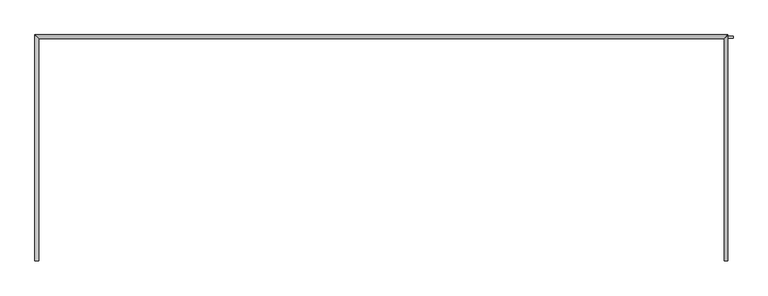
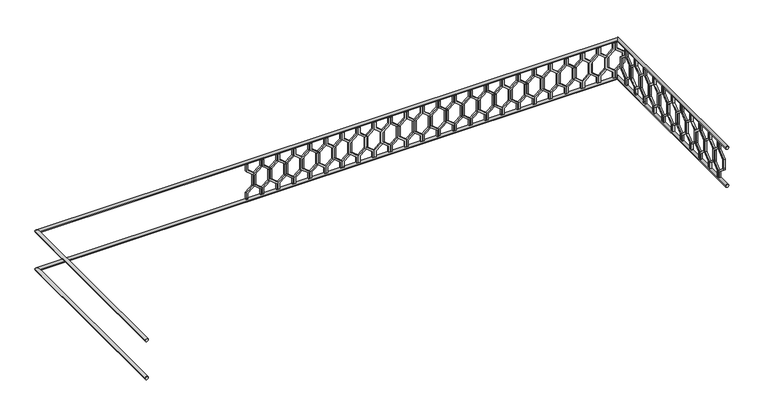
"""IFC4 building model written with IfcOpenShell, lengths in millimetres: railing geometry."""

from ifc_helpers import new_model, si_unit, frame, origin, place, context, project, spatial, polyline, circle_curve, ellipse_curve, outline, extrude, source, transform, mapped, element, save
from ifc_brep_helpers import plane_surface, cylinder_surface, advanced_brep


def railing_58e7d793(model_context):
    return source(origin(), model_context, "Body", "SolidModel", [
        advanced_brep(
        [(42360.0112841, 903.1079487, 15480.0), (42320.0112841, 903.1079487, 15480.0), (42320.0112841, 3283.1079487, 15480.0), (42360.0112841, 3243.1079487, 15480.0), (49600.0112841, 3283.1079487, 15480.0), (49560.0112841, 3243.1079487, 15480.0), (49560.0112841, 903.1079487, 15480.0), (49600.0112841, 903.1079487, 15480.0)],
        [
            (0, 1, circle_curve(frame((42340.0112841, 903.1079487, 15480.0), z_axis=(0.0, -1.0, 0.0), x_axis=(-1.0, 0.0, 0.0)), 20.0)),
            (1, 0, circle_curve(frame((42340.0112841, 903.1079487, 15480.0), z_axis=(0.0, -1.0, 0.0), x_axis=(-1.0, 0.0, 0.0)), 20.0)),
            (1, 2),
            (2, 3, ellipse_curve(frame((42340.0112841, 3263.1079487, 15480.0), z_axis=(-0.7071067811865475, -0.7071067811865476, 0.0), x_axis=(0.7071067811865476, -0.7071067811865475, 0.0)), 28.2842712, 20.0)),
            (3, 0),
            (3, 2, ellipse_curve(frame((42340.0112841, 3263.1079487, 15480.0), z_axis=(-0.7071067811865475, -0.7071067811865476, 0.0), x_axis=(0.7071067811865476, -0.7071067811865475, 0.0)), 28.2842712, 20.0)),
            (2, 4),
            (4, 5, ellipse_curve(frame((49580.0112841, 3263.1079487, 15480.0), z_axis=(-0.7071067811865481, 0.7071067811865469, 0.0), x_axis=(-0.7071067811865469, -0.7071067811865481, 0.0)), 28.2842712, 20.0)),
            (5, 3),
            (5, 4, ellipse_curve(frame((49580.0112841, 3263.1079487, 15480.0), z_axis=(-0.7071067811865481, 0.7071067811865469, 0.0), x_axis=(-0.7071067811865469, -0.7071067811865481, 0.0)), 28.2842712, 20.0)),
            (6, 7, circle_curve(frame((49580.0112841, 903.1079487, 15480.0), z_axis=(0.0, -1.0, 0.0), x_axis=(1.0, 0.0, 0.0)), 20.0)),
            (7, 6, circle_curve(frame((49580.0112841, 903.1079487, 15480.0), z_axis=(0.0, -1.0, 0.0), x_axis=(1.0, 0.0, 0.0)), 20.0)),
            (4, 7),
            (6, 5),
        ],
        [
            plane_surface(frame((42340.0112841, 903.1079487, 15500.0), z_axis=(0.0, -1.0, 0.0), x_axis=(0.0, 0.0, 1.0))),
            cylinder_surface(frame((42340.0112841, 903.1079487, 15480.0), z_axis=(0.0, -1.0, 0.0), x_axis=(-1.0, 0.0, 0.0)), 20.0),
            cylinder_surface(frame((42340.0112841, 3263.1079487, 15480.0), z_axis=(-1.0, 0.0, 0.0), x_axis=(0.0, 1.0, 0.0)), 20.0),
            plane_surface(frame((49580.0112841, 903.1079487, 15500.0), z_axis=(0.0, -1.0, 0.0), x_axis=(0.0, 0.0, -1.0))),
            cylinder_surface(frame((49580.0112841, 3263.1079487, 15480.0), z_axis=(0.0, 1.0, 0.0), x_axis=(1.0, 0.0, 0.0)), 20.0),
        ],
        [
            (0, [[1, 2]]),
            (1, [[-2, 3, 4, 5]]),
            (1, [[-1, -5, 6, -3]]),
            (2, [[-4, 7, 8, 9]]),
            (2, [[-6, -9, 10, -7]]),
            (3, [[11, 12]]),
            (4, [[-8, 13, -11, 14]]),
            (4, [[-10, -14, -12, -13]]),
        ],
    ),
        advanced_brep(
        [(42360.0112841, 903.1079487, 14980.0), (42320.0112841, 903.1079487, 14980.0), (42320.0112841, 3283.1079487, 14980.0), (42360.0112841, 3243.1079487, 14980.0), (49600.0112841, 3283.1079487, 14980.0), (49560.0112841, 3243.1079487, 14980.0), (49560.0112841, 903.1079487, 14980.0), (49600.0112841, 903.1079487, 14980.0)],
        [
            (0, 1, circle_curve(frame((42340.0112841, 903.1079487, 14980.0), z_axis=(0.0, -1.0, 0.0), x_axis=(-1.0, 0.0, 0.0)), 20.0)),
            (1, 0, circle_curve(frame((42340.0112841, 903.1079487, 14980.0), z_axis=(0.0, -1.0, 0.0), x_axis=(-1.0, 0.0, 0.0)), 20.0)),
            (1, 2),
            (2, 3, ellipse_curve(frame((42340.0112841, 3263.1079487, 14980.0), z_axis=(-0.7071067811865475, -0.7071067811865476, 0.0), x_axis=(0.7071067811865476, -0.7071067811865475, 0.0)), 28.2842712, 20.0)),
            (3, 0),
            (3, 2, ellipse_curve(frame((42340.0112841, 3263.1079487, 14980.0), z_axis=(-0.7071067811865475, -0.7071067811865476, 0.0), x_axis=(0.7071067811865476, -0.7071067811865475, 0.0)), 28.2842712, 20.0)),
            (2, 4),
            (4, 5, ellipse_curve(frame((49580.0112841, 3263.1079487, 14980.0), z_axis=(-0.7071067811865481, 0.7071067811865469, 0.0), x_axis=(-0.7071067811865469, -0.7071067811865481, 0.0)), 28.2842712, 20.0)),
            (5, 3),
            (5, 4, ellipse_curve(frame((49580.0112841, 3263.1079487, 14980.0), z_axis=(-0.7071067811865481, 0.7071067811865469, 0.0), x_axis=(-0.7071067811865469, -0.7071067811865481, 0.0)), 28.2842712, 20.0)),
            (6, 7, circle_curve(frame((49580.0112841, 903.1079487, 14980.0), z_axis=(0.0, -1.0, 0.0), x_axis=(1.0, 0.0, 0.0)), 20.0)),
            (7, 6, circle_curve(frame((49580.0112841, 903.1079487, 14980.0), z_axis=(0.0, -1.0, 0.0), x_axis=(1.0, 0.0, 0.0)), 20.0)),
            (4, 7),
            (6, 5),
        ],
        [
            plane_surface(frame((42340.0112841, 903.1079487, 15000.0), z_axis=(0.0, -1.0, 0.0), x_axis=(0.0, 0.0, 1.0))),
            cylinder_surface(frame((42340.0112841, 903.1079487, 14980.0), z_axis=(0.0, -1.0, 0.0), x_axis=(-1.0, 0.0, 0.0)), 20.0),
            cylinder_surface(frame((42340.0112841, 3263.1079487, 14980.0), z_axis=(-1.0, 0.0, 0.0), x_axis=(0.0, 1.0, 0.0)), 20.0),
            plane_surface(frame((49580.0112841, 903.1079487, 15000.0), z_axis=(0.0, -1.0, 0.0), x_axis=(0.0, 0.0, -1.0))),
            cylinder_surface(frame((49580.0112841, 3263.1079487, 14980.0), z_axis=(0.0, 1.0, 0.0), x_axis=(1.0, 0.0, 0.0)), 20.0),
        ],
        [
            (0, [[1, 2]]),
            (1, [[-2, 3, 4, 5]]),
            (1, [[-1, -5, 6, -3]]),
            (2, [[-4, 7, 8, 9]]),
            (2, [[-6, -9, 10, -7]]),
            (3, [[11, 12]]),
            (4, [[-8, 13, -11, 14]]),
            (4, [[-10, -14, -12, -13]]),
        ],
    ),
        extrude(outline(polyline([(1068.1079487, 15460.0), (1068.1079487, 15370.448155), (969.1129993, 15290.448155), (969.1129993, 15169.551845), (1068.1079487, 15089.551845), (1068.1079487, 15000.0), (1048.1079487, 15000.0), (1048.1079487, 15080.0), (949.1129993, 15160.0), (949.1129993, 15300.0), (1048.1079487, 15380.0), (1048.1079487, 15460.0), (1068.1079487, 15460.0)])), frame((49565.0112841, 0.0, 0.0), z_axis=(1.0, 0.0, 0.0), x_axis=(0.0, 1.0, 0.0)), (0.0, 0.0, 1.0), 20.0),
        extrude(outline(polyline([(1068.1079487, 15460.0), (1088.1079487, 15460.0), (1088.1079487, 15380.0), (1187.102898, 15300.0), (1187.102898, 15160.0), (1088.1079487, 15080.0), (1088.1079487, 15000.0), (1068.1079487, 15000.0), (1068.1079487, 15089.551845), (1167.102898, 15169.551845), (1167.102898, 15290.448155), (1068.1079487, 15370.448155), (1068.1079487, 15460.0)])), frame((49565.0112841, 0.0, 0.0), z_axis=(1.0, 0.0, 0.0), x_axis=(0.0, 1.0, 0.0)), (0.0, 0.0, 1.0), 20.0),
        extrude(outline(polyline([(1268.1079487, 15460.0), (1268.1079487, 15370.448155), (1169.1129993, 15290.448155), (1169.1129993, 15169.551845), (1268.1079487, 15089.551845), (1268.1079487, 15000.0), (1248.1079487, 15000.0), (1248.1079487, 15080.0), (1149.1129993, 15160.0), (1149.1129993, 15300.0), (1248.1079487, 15380.0), (1248.1079487, 15460.0), (1268.1079487, 15460.0)])), frame((49565.0112841, 0.0, 0.0), z_axis=(1.0, 0.0, 0.0), x_axis=(0.0, 1.0, 0.0)), (0.0, 0.0, 1.0), 20.0),
        extrude(outline(polyline([(1268.1079487, 15460.0), (1288.1079487, 15460.0), (1288.1079487, 15380.0), (1387.102898, 15300.0), (1387.102898, 15160.0), (1288.1079487, 15080.0), (1288.1079487, 15000.0), (1268.1079487, 15000.0), (1268.1079487, 15089.551845), (1367.102898, 15169.551845), (1367.102898, 15290.448155), (1268.1079487, 15370.448155), (1268.1079487, 15460.0)])), frame((49565.0112841, 0.0, 0.0), z_axis=(1.0, 0.0, 0.0), x_axis=(0.0, 1.0, 0.0)), (0.0, 0.0, 1.0), 20.0),
        extrude(outline(polyline([(1468.1079487, 15460.0), (1468.1079487, 15370.448155), (1369.1129993, 15290.448155), (1369.1129993, 15169.551845), (1468.1079487, 15089.551845), (1468.1079487, 15000.0), (1448.1079487, 15000.0), (1448.1079487, 15080.0), (1349.1129993, 15160.0), (1349.1129993, 15300.0), (1448.1079487, 15380.0), (1448.1079487, 15460.0), (1468.1079487, 15460.0)])), frame((49565.0112841, 0.0, 0.0), z_axis=(1.0, 0.0, 0.0), x_axis=(0.0, 1.0, 0.0)), (0.0, 0.0, 1.0), 20.0),
        extrude(outline(polyline([(1468.1079487, 15460.0), (1488.1079487, 15460.0), (1488.1079487, 15380.0), (1587.102898, 15300.0), (1587.102898, 15160.0), (1488.1079487, 15080.0), (1488.1079487, 15000.0), (1468.1079487, 15000.0), (1468.1079487, 15089.551845), (1567.102898, 15169.551845), (1567.102898, 15290.448155), (1468.1079487, 15370.448155), (1468.1079487, 15460.0)])), frame((49565.0112841, 0.0, 0.0), z_axis=(1.0, 0.0, 0.0), x_axis=(0.0, 1.0, 0.0)), (0.0, 0.0, 1.0), 20.0),
        extrude(outline(polyline([(1668.1079487, 15460.0), (1668.1079487, 15370.448155), (1569.1129993, 15290.448155), (1569.1129993, 15169.551845), (1668.1079487, 15089.551845), (1668.1079487, 15000.0), (1648.1079487, 15000.0), (1648.1079487, 15080.0), (1549.1129993, 15160.0), (1549.1129993, 15300.0), (1648.1079487, 15380.0), (1648.1079487, 15460.0), (1668.1079487, 15460.0)])), frame((49565.0112841, 0.0, 0.0), z_axis=(1.0, 0.0, 0.0), x_axis=(0.0, 1.0, 0.0)), (0.0, 0.0, 1.0), 20.0),
        extrude(outline(polyline([(1668.1079487, 15460.0), (1688.1079487, 15460.0), (1688.1079487, 15380.0), (1787.102898, 15300.0), (1787.102898, 15160.0), (1688.1079487, 15080.0), (1688.1079487, 15000.0), (1668.1079487, 15000.0), (1668.1079487, 15089.551845), (1767.102898, 15169.551845), (1767.102898, 15290.448155), (1668.1079487, 15370.448155), (1668.1079487, 15460.0)])), frame((49565.0112841, 0.0, 0.0), z_axis=(1.0, 0.0, 0.0), x_axis=(0.0, 1.0, 0.0)), (0.0, 0.0, 1.0), 20.0),
        extrude(outline(polyline([(1868.1079487, 15460.0), (1868.1079487, 15370.448155), (1769.1129993, 15290.448155), (1769.1129993, 15169.551845), (1868.1079487, 15089.551845), (1868.1079487, 15000.0), (1848.1079487, 15000.0), (1848.1079487, 15080.0), (1749.1129993, 15160.0), (1749.1129993, 15300.0), (1848.1079487, 15380.0), (1848.1079487, 15460.0), (1868.1079487, 15460.0)])), frame((49565.0112841, 0.0, 0.0), z_axis=(1.0, 0.0, 0.0), x_axis=(0.0, 1.0, 0.0)), (0.0, 0.0, 1.0), 20.0),
        extrude(outline(polyline([(1868.1079487, 15460.0), (1888.1079487, 15460.0), (1888.1079487, 15380.0), (1987.102898, 15300.0), (1987.102898, 15160.0), (1888.1079487, 15080.0), (1888.1079487, 15000.0), (1868.1079487, 15000.0), (1868.1079487, 15089.551845), (1967.102898, 15169.551845), (1967.102898, 15290.448155), (1868.1079487, 15370.448155), (1868.1079487, 15460.0)])), frame((49565.0112841, 0.0, 0.0), z_axis=(1.0, 0.0, 0.0), x_axis=(0.0, 1.0, 0.0)), (0.0, 0.0, 1.0), 20.0),
        extrude(outline(polyline([(2068.1079487, 15460.0), (2068.1079487, 15370.448155), (1969.1129993, 15290.448155), (1969.1129993, 15169.551845), (2068.1079487, 15089.551845), (2068.1079487, 15000.0), (2048.1079487, 15000.0), (2048.1079487, 15080.0), (1949.1129993, 15160.0), (1949.1129993, 15300.0), (2048.1079487, 15380.0), (2048.1079487, 15460.0), (2068.1079487, 15460.0)])), frame((49565.0112841, 0.0, 0.0), z_axis=(1.0, 0.0, 0.0), x_axis=(0.0, 1.0, 0.0)), (0.0, 0.0, 1.0), 20.0),
        extrude(outline(polyline([(2068.1079487, 15460.0), (2088.1079487, 15460.0), (2088.1079487, 15380.0), (2187.102898, 15300.0), (2187.102898, 15160.0), (2088.1079487, 15080.0), (2088.1079487, 15000.0), (2068.1079487, 15000.0), (2068.1079487, 15089.551845), (2167.102898, 15169.551845), (2167.102898, 15290.448155), (2068.1079487, 15370.448155), (2068.1079487, 15460.0)])), frame((49565.0112841, 0.0, 0.0), z_axis=(1.0, 0.0, 0.0), x_axis=(0.0, 1.0, 0.0)), (0.0, 0.0, 1.0), 20.0),
        extrude(outline(polyline([(2268.1079487, 15460.0), (2268.1079487, 15370.448155), (2169.1129993, 15290.448155), (2169.1129993, 15169.551845), (2268.1079487, 15089.551845), (2268.1079487, 15000.0), (2248.1079487, 15000.0), (2248.1079487, 15080.0), (2149.1129993, 15160.0), (2149.1129993, 15300.0), (2248.1079487, 15380.0), (2248.1079487, 15460.0), (2268.1079487, 15460.0)])), frame((49565.0112841, 0.0, 0.0), z_axis=(1.0, 0.0, 0.0), x_axis=(0.0, 1.0, 0.0)), (0.0, 0.0, 1.0), 20.0),
        extrude(outline(polyline([(2268.1079487, 15460.0), (2288.1079487, 15460.0), (2288.1079487, 15380.0), (2387.102898, 15300.0), (2387.102898, 15160.0), (2288.1079487, 15080.0), (2288.1079487, 15000.0), (2268.1079487, 15000.0), (2268.1079487, 15089.551845), (2367.102898, 15169.551845), (2367.102898, 15290.448155), (2268.1079487, 15370.448155), (2268.1079487, 15460.0)])), frame((49565.0112841, 0.0, 0.0), z_axis=(1.0, 0.0, 0.0), x_axis=(0.0, 1.0, 0.0)), (0.0, 0.0, 1.0), 20.0),
        extrude(outline(polyline([(2468.1079487, 15460.0), (2468.1079487, 15370.448155), (2369.1129993, 15290.448155), (2369.1129993, 15169.551845), (2468.1079487, 15089.551845), (2468.1079487, 15000.0), (2448.1079487, 15000.0), (2448.1079487, 15080.0), (2349.1129993, 15160.0), (2349.1129993, 15300.0), (2448.1079487, 15380.0), (2448.1079487, 15460.0), (2468.1079487, 15460.0)])), frame((49565.0112841, 0.0, 0.0), z_axis=(1.0, 0.0, 0.0), x_axis=(0.0, 1.0, 0.0)), (0.0, 0.0, 1.0), 20.0),
        extrude(outline(polyline([(2468.1079487, 15460.0), (2488.1079487, 15460.0), (2488.1079487, 15380.0), (2587.102898, 15300.0), (2587.102898, 15160.0), (2488.1079487, 15080.0), (2488.1079487, 15000.0), (2468.1079487, 15000.0), (2468.1079487, 15089.551845), (2567.102898, 15169.551845), (2567.102898, 15290.448155), (2468.1079487, 15370.448155), (2468.1079487, 15460.0)])), frame((49565.0112841, 0.0, 0.0), z_axis=(1.0, 0.0, 0.0), x_axis=(0.0, 1.0, 0.0)), (0.0, 0.0, 1.0), 20.0),
        extrude(outline(polyline([(2668.1079487, 15460.0), (2668.1079487, 15370.448155), (2569.1129993, 15290.448155), (2569.1129993, 15169.551845), (2668.1079487, 15089.551845), (2668.1079487, 15000.0), (2648.1079487, 15000.0), (2648.1079487, 15080.0), (2549.1129993, 15160.0), (2549.1129993, 15300.0), (2648.1079487, 15380.0), (2648.1079487, 15460.0), (2668.1079487, 15460.0)])), frame((49565.0112841, 0.0, 0.0), z_axis=(1.0, 0.0, 0.0), x_axis=(0.0, 1.0, 0.0)), (0.0, 0.0, 1.0), 20.0),
        extrude(outline(polyline([(2668.1079487, 15460.0), (2688.1079487, 15460.0), (2688.1079487, 15380.0), (2787.102898, 15300.0), (2787.102898, 15160.0), (2688.1079487, 15080.0), (2688.1079487, 15000.0), (2668.1079487, 15000.0), (2668.1079487, 15089.551845), (2767.102898, 15169.551845), (2767.102898, 15290.448155), (2668.1079487, 15370.448155), (2668.1079487, 15460.0)])), frame((49565.0112841, 0.0, 0.0), z_axis=(1.0, 0.0, 0.0), x_axis=(0.0, 1.0, 0.0)), (0.0, 0.0, 1.0), 20.0),
        extrude(outline(polyline([(2868.1079487, 15460.0), (2868.1079487, 15370.448155), (2769.1129993, 15290.448155), (2769.1129993, 15169.551845), (2868.1079487, 15089.551845), (2868.1079487, 15000.0), (2848.1079487, 15000.0), (2848.1079487, 15080.0), (2749.1129993, 15160.0), (2749.1129993, 15300.0), (2848.1079487, 15380.0), (2848.1079487, 15460.0), (2868.1079487, 15460.0)])), frame((49565.0112841, 0.0, 0.0), z_axis=(1.0, 0.0, 0.0), x_axis=(0.0, 1.0, 0.0)), (0.0, 0.0, 1.0), 20.0),
        extrude(outline(polyline([(2868.1079487, 15460.0), (2888.1079487, 15460.0), (2888.1079487, 15380.0), (2987.102898, 15300.0), (2987.102898, 15160.0), (2888.1079487, 15080.0), (2888.1079487, 15000.0), (2868.1079487, 15000.0), (2868.1079487, 15089.551845), (2967.102898, 15169.551845), (2967.102898, 15290.448155), (2868.1079487, 15370.448155), (2868.1079487, 15460.0)])), frame((49565.0112841, 0.0, 0.0), z_axis=(1.0, 0.0, 0.0), x_axis=(0.0, 1.0, 0.0)), (0.0, 0.0, 1.0), 20.0),
        extrude(outline(polyline([(3068.1079487, 15460.0), (3068.1079487, 15370.448155), (2969.1129993, 15290.448155), (2969.1129993, 15169.551845), (3068.1079487, 15089.551845), (3068.1079487, 15000.0), (3048.1079487, 15000.0), (3048.1079487, 15080.0), (2949.1129993, 15160.0), (2949.1129993, 15300.0), (3048.1079487, 15380.0), (3048.1079487, 15460.0), (3068.1079487, 15460.0)])), frame((49565.0112841, 0.0, 0.0), z_axis=(1.0, 0.0, 0.0), x_axis=(0.0, 1.0, 0.0)), (0.0, 0.0, 1.0), 20.0),
        extrude(outline(polyline([(3068.1079487, 15460.0), (3088.1079487, 15460.0), (3088.1079487, 15380.0), (3187.102898, 15300.0), (3187.102898, 15160.0), (3088.1079487, 15080.0), (3088.1079487, 15000.0), (3068.1079487, 15000.0), (3068.1079487, 15089.551845), (3167.102898, 15169.551845), (3167.102898, 15290.448155), (3068.1079487, 15370.448155), (3068.1079487, 15460.0)])), frame((49565.0112841, 0.0, 0.0), z_axis=(1.0, 0.0, 0.0), x_axis=(0.0, 1.0, 0.0)), (0.0, 0.0, 1.0), 20.0),
        extrude(outline(polyline([(15460.0, 49535.0112841), (15370.448155, 49535.0112841), (15290.448155, 49634.0062335), (15169.551845, 49634.0062335), (15089.551845, 49535.0112841), (15000.0, 49535.0112841), (15000.0, 49555.0112841), (15080.0, 49555.0112841), (15160.0, 49654.0062335), (15300.0, 49654.0062335), (15380.0, 49555.0112841), (15460.0, 49555.0112841), (15460.0, 49535.0112841)])), frame((0.0, 3248.1079487, 0.0), z_axis=(0.0, 1.0, 0.0), x_axis=(0.0, 0.0, 1.0)), (0.0, 0.0, 1.0), 20.0),
        extrude(outline(polyline([(15460.0, 49535.0112841), (15460.0, 49515.0112841), (15380.0, 49515.0112841), (15300.0, 49416.0163347), (15160.0, 49416.0163347), (15080.0, 49515.0112841), (15000.0, 49515.0112841), (15000.0, 49535.0112841), (15089.551845, 49535.0112841), (15169.551845, 49436.0163347), (15290.448155, 49436.0163347), (15370.448155, 49535.0112841), (15460.0, 49535.0112841)])), frame((0.0, 3248.1079487, 0.0), z_axis=(0.0, 1.0, 0.0), x_axis=(0.0, 0.0, 1.0)), (0.0, 0.0, 1.0), 20.0),
        extrude(outline(polyline([(15460.0, 49335.0112841), (15370.448155, 49335.0112841), (15290.448155, 49434.0062335), (15169.551845, 49434.0062335), (15089.551845, 49335.0112841), (15000.0, 49335.0112841), (15000.0, 49355.0112841), (15080.0, 49355.0112841), (15160.0, 49454.0062335), (15300.0, 49454.0062335), (15380.0, 49355.0112841), (15460.0, 49355.0112841), (15460.0, 49335.0112841)])), frame((0.0, 3248.1079487, 0.0), z_axis=(0.0, 1.0, 0.0), x_axis=(0.0, 0.0, 1.0)), (0.0, 0.0, 1.0), 20.0),
        extrude(outline(polyline([(15460.0, 49335.0112841), (15460.0, 49315.0112841), (15380.0, 49315.0112841), (15300.0, 49216.0163347), (15160.0, 49216.0163347), (15080.0, 49315.0112841), (15000.0, 49315.0112841), (15000.0, 49335.0112841), (15089.551845, 49335.0112841), (15169.551845, 49236.0163347), (15290.448155, 49236.0163347), (15370.448155, 49335.0112841), (15460.0, 49335.0112841)])), frame((0.0, 3248.1079487, 0.0), z_axis=(0.0, 1.0, 0.0), x_axis=(0.0, 0.0, 1.0)), (0.0, 0.0, 1.0), 20.0),
        extrude(outline(polyline([(15460.0, 49135.0112841), (15370.448155, 49135.0112841), (15290.448155, 49234.0062335), (15169.551845, 49234.0062335), (15089.551845, 49135.0112841), (15000.0, 49135.0112841), (15000.0, 49155.0112841), (15080.0, 49155.0112841), (15160.0, 49254.0062335), (15300.0, 49254.0062335), (15380.0, 49155.0112841), (15460.0, 49155.0112841), (15460.0, 49135.0112841)])), frame((0.0, 3248.1079487, 0.0), z_axis=(0.0, 1.0, 0.0), x_axis=(0.0, 0.0, 1.0)), (0.0, 0.0, 1.0), 20.0),
        extrude(outline(polyline([(15460.0, 49135.0112841), (15460.0, 49115.0112841), (15380.0, 49115.0112841), (15300.0, 49016.0163347), (15160.0, 49016.0163347), (15080.0, 49115.0112841), (15000.0, 49115.0112841), (15000.0, 49135.0112841), (15089.551845, 49135.0112841), (15169.551845, 49036.0163347), (15290.448155, 49036.0163347), (15370.448155, 49135.0112841), (15460.0, 49135.0112841)])), frame((0.0, 3248.1079487, 0.0), z_axis=(0.0, 1.0, 0.0), x_axis=(0.0, 0.0, 1.0)), (0.0, 0.0, 1.0), 20.0),
        extrude(outline(polyline([(15460.0, 48935.0112841), (15370.448155, 48935.0112841), (15290.448155, 49034.0062335), (15169.551845, 49034.0062335), (15089.551845, 48935.0112841), (15000.0, 48935.0112841), (15000.0, 48955.0112841), (15080.0, 48955.0112841), (15160.0, 49054.0062335), (15300.0, 49054.0062335), (15380.0, 48955.0112841), (15460.0, 48955.0112841), (15460.0, 48935.0112841)])), frame((0.0, 3248.1079487, 0.0), z_axis=(0.0, 1.0, 0.0), x_axis=(0.0, 0.0, 1.0)), (0.0, 0.0, 1.0), 20.0),
        extrude(outline(polyline([(15460.0, 48935.0112841), (15460.0, 48915.0112841), (15380.0, 48915.0112841), (15300.0, 48816.0163347), (15160.0, 48816.0163347), (15080.0, 48915.0112841), (15000.0, 48915.0112841), (15000.0, 48935.0112841), (15089.551845, 48935.0112841), (15169.551845, 48836.0163347), (15290.448155, 48836.0163347), (15370.448155, 48935.0112841), (15460.0, 48935.0112841)])), frame((0.0, 3248.1079487, 0.0), z_axis=(0.0, 1.0, 0.0), x_axis=(0.0, 0.0, 1.0)), (0.0, 0.0, 1.0), 20.0),
        extrude(outline(polyline([(15460.0, 48735.0112841), (15370.448155, 48735.0112841), (15290.448155, 48834.0062335), (15169.551845, 48834.0062335), (15089.551845, 48735.0112841), (15000.0, 48735.0112841), (15000.0, 48755.0112841), (15080.0, 48755.0112841), (15160.0, 48854.0062335), (15300.0, 48854.0062335), (15380.0, 48755.0112841), (15460.0, 48755.0112841), (15460.0, 48735.0112841)])), frame((0.0, 3248.1079487, 0.0), z_axis=(0.0, 1.0, 0.0), x_axis=(0.0, 0.0, 1.0)), (0.0, 0.0, 1.0), 20.0),
        extrude(outline(polyline([(15460.0, 48735.0112841), (15460.0, 48715.0112841), (15380.0, 48715.0112841), (15300.0, 48616.0163347), (15160.0, 48616.0163347), (15080.0, 48715.0112841), (15000.0, 48715.0112841), (15000.0, 48735.0112841), (15089.551845, 48735.0112841), (15169.551845, 48636.0163347), (15290.448155, 48636.0163347), (15370.448155, 48735.0112841), (15460.0, 48735.0112841)])), frame((0.0, 3248.1079487, 0.0), z_axis=(0.0, 1.0, 0.0), x_axis=(0.0, 0.0, 1.0)), (0.0, 0.0, 1.0), 20.0),
        extrude(outline(polyline([(15460.0, 48535.0112841), (15370.448155, 48535.0112841), (15290.448155, 48634.0062335), (15169.551845, 48634.0062335), (15089.551845, 48535.0112841), (15000.0, 48535.0112841), (15000.0, 48555.0112841), (15080.0, 48555.0112841), (15160.0, 48654.0062335), (15300.0, 48654.0062335), (15380.0, 48555.0112841), (15460.0, 48555.0112841), (15460.0, 48535.0112841)])), frame((0.0, 3248.1079487, 0.0), z_axis=(0.0, 1.0, 0.0), x_axis=(0.0, 0.0, 1.0)), (0.0, 0.0, 1.0), 20.0),
        extrude(outline(polyline([(15460.0, 48535.0112841), (15460.0, 48515.0112841), (15380.0, 48515.0112841), (15300.0, 48416.0163347), (15160.0, 48416.0163347), (15080.0, 48515.0112841), (15000.0, 48515.0112841), (15000.0, 48535.0112841), (15089.551845, 48535.0112841), (15169.551845, 48436.0163347), (15290.448155, 48436.0163347), (15370.448155, 48535.0112841), (15460.0, 48535.0112841)])), frame((0.0, 3248.1079487, 0.0), z_axis=(0.0, 1.0, 0.0), x_axis=(0.0, 0.0, 1.0)), (0.0, 0.0, 1.0), 20.0),
        extrude(outline(polyline([(15460.0, 48335.0112841), (15370.448155, 48335.0112841), (15290.448155, 48434.0062335), (15169.551845, 48434.0062335), (15089.551845, 48335.0112841), (15000.0, 48335.0112841), (15000.0, 48355.0112841), (15080.0, 48355.0112841), (15160.0, 48454.0062335), (15300.0, 48454.0062335), (15380.0, 48355.0112841), (15460.0, 48355.0112841), (15460.0, 48335.0112841)])), frame((0.0, 3248.1079487, 0.0), z_axis=(0.0, 1.0, 0.0), x_axis=(0.0, 0.0, 1.0)), (0.0, 0.0, 1.0), 20.0),
        extrude(outline(polyline([(15460.0, 48335.0112841), (15460.0, 48315.0112841), (15380.0, 48315.0112841), (15300.0, 48216.0163347), (15160.0, 48216.0163347), (15080.0, 48315.0112841), (15000.0, 48315.0112841), (15000.0, 48335.0112841), (15089.551845, 48335.0112841), (15169.551845, 48236.0163347), (15290.448155, 48236.0163347), (15370.448155, 48335.0112841), (15460.0, 48335.0112841)])), frame((0.0, 3248.1079487, 0.0), z_axis=(0.0, 1.0, 0.0), x_axis=(0.0, 0.0, 1.0)), (0.0, 0.0, 1.0), 20.0),
        extrude(outline(polyline([(15460.0, 48135.0112841), (15370.448155, 48135.0112841), (15290.448155, 48234.0062335), (15169.551845, 48234.0062335), (15089.551845, 48135.0112841), (15000.0, 48135.0112841), (15000.0, 48155.0112841), (15080.0, 48155.0112841), (15160.0, 48254.0062335), (15300.0, 48254.0062335), (15380.0, 48155.0112841), (15460.0, 48155.0112841), (15460.0, 48135.0112841)])), frame((0.0, 3248.1079487, 0.0), z_axis=(0.0, 1.0, 0.0), x_axis=(0.0, 0.0, 1.0)), (0.0, 0.0, 1.0), 20.0),
        extrude(outline(polyline([(15460.0, 48135.0112841), (15460.0, 48115.0112841), (15380.0, 48115.0112841), (15300.0, 48016.0163347), (15160.0, 48016.0163347), (15080.0, 48115.0112841), (15000.0, 48115.0112841), (15000.0, 48135.0112841), (15089.551845, 48135.0112841), (15169.551845, 48036.0163347), (15290.448155, 48036.0163347), (15370.448155, 48135.0112841), (15460.0, 48135.0112841)])), frame((0.0, 3248.1079487, 0.0), z_axis=(0.0, 1.0, 0.0), x_axis=(0.0, 0.0, 1.0)), (0.0, 0.0, 1.0), 20.0),
        extrude(outline(polyline([(15460.0, 47935.0112841), (15370.448155, 47935.0112841), (15290.448155, 48034.0062335), (15169.551845, 48034.0062335), (15089.551845, 47935.0112841), (15000.0, 47935.0112841), (15000.0, 47955.0112841), (15080.0, 47955.0112841), (15160.0, 48054.0062335), (15300.0, 48054.0062335), (15380.0, 47955.0112841), (15460.0, 47955.0112841), (15460.0, 47935.0112841)])), frame((0.0, 3248.1079487, 0.0), z_axis=(0.0, 1.0, 0.0), x_axis=(0.0, 0.0, 1.0)), (0.0, 0.0, 1.0), 20.0),
        extrude(outline(polyline([(15460.0, 47935.0112841), (15460.0, 47915.0112841), (15380.0, 47915.0112841), (15300.0, 47816.0163347), (15160.0, 47816.0163347), (15080.0, 47915.0112841), (15000.0, 47915.0112841), (15000.0, 47935.0112841), (15089.551845, 47935.0112841), (15169.551845, 47836.0163347), (15290.448155, 47836.0163347), (15370.448155, 47935.0112841), (15460.0, 47935.0112841)])), frame((0.0, 3248.1079487, 0.0), z_axis=(0.0, 1.0, 0.0), x_axis=(0.0, 0.0, 1.0)), (0.0, 0.0, 1.0), 20.0),
        extrude(outline(polyline([(15460.0, 47735.0112841), (15370.448155, 47735.0112841), (15290.448155, 47834.0062335), (15169.551845, 47834.0062335), (15089.551845, 47735.0112841), (15000.0, 47735.0112841), (15000.0, 47755.0112841), (15080.0, 47755.0112841), (15160.0, 47854.0062335), (15300.0, 47854.0062335), (15380.0, 47755.0112841), (15460.0, 47755.0112841), (15460.0, 47735.0112841)])), frame((0.0, 3248.1079487, 0.0), z_axis=(0.0, 1.0, 0.0), x_axis=(0.0, 0.0, 1.0)), (0.0, 0.0, 1.0), 20.0),
        extrude(outline(polyline([(15460.0, 47735.0112841), (15460.0, 47715.0112841), (15380.0, 47715.0112841), (15300.0, 47616.0163347), (15160.0, 47616.0163347), (15080.0, 47715.0112841), (15000.0, 47715.0112841), (15000.0, 47735.0112841), (15089.551845, 47735.0112841), (15169.551845, 47636.0163347), (15290.448155, 47636.0163347), (15370.448155, 47735.0112841), (15460.0, 47735.0112841)])), frame((0.0, 3248.1079487, 0.0), z_axis=(0.0, 1.0, 0.0), x_axis=(0.0, 0.0, 1.0)), (0.0, 0.0, 1.0), 20.0),
        extrude(outline(polyline([(15460.0, 47535.0112841), (15370.448155, 47535.0112841), (15290.448155, 47634.0062335), (15169.551845, 47634.0062335), (15089.551845, 47535.0112841), (15000.0, 47535.0112841), (15000.0, 47555.0112841), (15080.0, 47555.0112841), (15160.0, 47654.0062335), (15300.0, 47654.0062335), (15380.0, 47555.0112841), (15460.0, 47555.0112841), (15460.0, 47535.0112841)])), frame((0.0, 3248.1079487, 0.0), z_axis=(0.0, 1.0, 0.0), x_axis=(0.0, 0.0, 1.0)), (0.0, 0.0, 1.0), 20.0),
        extrude(outline(polyline([(15460.0, 47535.0112841), (15460.0, 47515.0112841), (15380.0, 47515.0112841), (15300.0, 47416.0163347), (15160.0, 47416.0163347), (15080.0, 47515.0112841), (15000.0, 47515.0112841), (15000.0, 47535.0112841), (15089.551845, 47535.0112841), (15169.551845, 47436.0163347), (15290.448155, 47436.0163347), (15370.448155, 47535.0112841), (15460.0, 47535.0112841)])), frame((0.0, 3248.1079487, 0.0), z_axis=(0.0, 1.0, 0.0), x_axis=(0.0, 0.0, 1.0)), (0.0, 0.0, 1.0), 20.0),
        extrude(outline(polyline([(15460.0, 47335.0112841), (15370.448155, 47335.0112841), (15290.448155, 47434.0062335), (15169.551845, 47434.0062335), (15089.551845, 47335.0112841), (15000.0, 47335.0112841), (15000.0, 47355.0112841), (15080.0, 47355.0112841), (15160.0, 47454.0062335), (15300.0, 47454.0062335), (15380.0, 47355.0112841), (15460.0, 47355.0112841), (15460.0, 47335.0112841)])), frame((0.0, 3248.1079487, 0.0), z_axis=(0.0, 1.0, 0.0), x_axis=(0.0, 0.0, 1.0)), (0.0, 0.0, 1.0), 20.0),
        extrude(outline(polyline([(15460.0, 47335.0112841), (15460.0, 47315.0112841), (15380.0, 47315.0112841), (15300.0, 47216.0163347), (15160.0, 47216.0163347), (15080.0, 47315.0112841), (15000.0, 47315.0112841), (15000.0, 47335.0112841), (15089.551845, 47335.0112841), (15169.551845, 47236.0163347), (15290.448155, 47236.0163347), (15370.448155, 47335.0112841), (15460.0, 47335.0112841)])), frame((0.0, 3248.1079487, 0.0), z_axis=(0.0, 1.0, 0.0), x_axis=(0.0, 0.0, 1.0)), (0.0, 0.0, 1.0), 20.0),
        extrude(outline(polyline([(15460.0, 47135.0112841), (15370.448155, 47135.0112841), (15290.448155, 47234.0062335), (15169.551845, 47234.0062335), (15089.551845, 47135.0112841), (15000.0, 47135.0112841), (15000.0, 47155.0112841), (15080.0, 47155.0112841), (15160.0, 47254.0062335), (15300.0, 47254.0062335), (15380.0, 47155.0112841), (15460.0, 47155.0112841), (15460.0, 47135.0112841)])), frame((0.0, 3248.1079487, 0.0), z_axis=(0.0, 1.0, 0.0), x_axis=(0.0, 0.0, 1.0)), (0.0, 0.0, 1.0), 20.0),
        extrude(outline(polyline([(15460.0, 47135.0112841), (15460.0, 47115.0112841), (15380.0, 47115.0112841), (15300.0, 47016.0163347), (15160.0, 47016.0163347), (15080.0, 47115.0112841), (15000.0, 47115.0112841), (15000.0, 47135.0112841), (15089.551845, 47135.0112841), (15169.551845, 47036.0163347), (15290.448155, 47036.0163347), (15370.448155, 47135.0112841), (15460.0, 47135.0112841)])), frame((0.0, 3248.1079487, 0.0), z_axis=(0.0, 1.0, 0.0), x_axis=(0.0, 0.0, 1.0)), (0.0, 0.0, 1.0), 20.0),
        extrude(outline(polyline([(15460.0, 46935.0112841), (15370.448155, 46935.0112841), (15290.448155, 47034.0062335), (15169.551845, 47034.0062335), (15089.551845, 46935.0112841), (15000.0, 46935.0112841), (15000.0, 46955.0112841), (15080.0, 46955.0112841), (15160.0, 47054.0062335), (15300.0, 47054.0062335), (15380.0, 46955.0112841), (15460.0, 46955.0112841), (15460.0, 46935.0112841)])), frame((0.0, 3248.1079487, 0.0), z_axis=(0.0, 1.0, 0.0), x_axis=(0.0, 0.0, 1.0)), (0.0, 0.0, 1.0), 20.0),
        extrude(outline(polyline([(15460.0, 46935.0112841), (15460.0, 46915.0112841), (15380.0, 46915.0112841), (15300.0, 46816.0163347), (15160.0, 46816.0163347), (15080.0, 46915.0112841), (15000.0, 46915.0112841), (15000.0, 46935.0112841), (15089.551845, 46935.0112841), (15169.551845, 46836.0163347), (15290.448155, 46836.0163347), (15370.448155, 46935.0112841), (15460.0, 46935.0112841)])), frame((0.0, 3248.1079487, 0.0), z_axis=(0.0, 1.0, 0.0), x_axis=(0.0, 0.0, 1.0)), (0.0, 0.0, 1.0), 20.0),
        extrude(outline(polyline([(15460.0, 46735.0112841), (15370.448155, 46735.0112841), (15290.448155, 46834.0062335), (15169.551845, 46834.0062335), (15089.551845, 46735.0112841), (15000.0, 46735.0112841), (15000.0, 46755.0112841), (15080.0, 46755.0112841), (15160.0, 46854.0062335), (15300.0, 46854.0062335), (15380.0, 46755.0112841), (15460.0, 46755.0112841), (15460.0, 46735.0112841)])), frame((0.0, 3248.1079487, 0.0), z_axis=(0.0, 1.0, 0.0), x_axis=(0.0, 0.0, 1.0)), (0.0, 0.0, 1.0), 20.0),
        extrude(outline(polyline([(15460.0, 46735.0112841), (15460.0, 46715.0112841), (15380.0, 46715.0112841), (15300.0, 46616.0163347), (15160.0, 46616.0163347), (15080.0, 46715.0112841), (15000.0, 46715.0112841), (15000.0, 46735.0112841), (15089.551845, 46735.0112841), (15169.551845, 46636.0163347), (15290.448155, 46636.0163347), (15370.448155, 46735.0112841), (15460.0, 46735.0112841)])), frame((0.0, 3248.1079487, 0.0), z_axis=(0.0, 1.0, 0.0), x_axis=(0.0, 0.0, 1.0)), (0.0, 0.0, 1.0), 20.0),
        extrude(outline(polyline([(15460.0, 46535.0112841), (15370.448155, 46535.0112841), (15290.448155, 46634.0062335), (15169.551845, 46634.0062335), (15089.551845, 46535.0112841), (15000.0, 46535.0112841), (15000.0, 46555.0112841), (15080.0, 46555.0112841), (15160.0, 46654.0062335), (15300.0, 46654.0062335), (15380.0, 46555.0112841), (15460.0, 46555.0112841), (15460.0, 46535.0112841)])), frame((0.0, 3248.1079487, 0.0), z_axis=(0.0, 1.0, 0.0), x_axis=(0.0, 0.0, 1.0)), (0.0, 0.0, 1.0), 20.0),
        extrude(outline(polyline([(15460.0, 46535.0112841), (15460.0, 46515.0112841), (15380.0, 46515.0112841), (15300.0, 46416.0163347), (15160.0, 46416.0163347), (15080.0, 46515.0112841), (15000.0, 46515.0112841), (15000.0, 46535.0112841), (15089.551845, 46535.0112841), (15169.551845, 46436.0163347), (15290.448155, 46436.0163347), (15370.448155, 46535.0112841), (15460.0, 46535.0112841)])), frame((0.0, 3248.1079487, 0.0), z_axis=(0.0, 1.0, 0.0), x_axis=(0.0, 0.0, 1.0)), (0.0, 0.0, 1.0), 20.0),
        extrude(outline(polyline([(15460.0, 46335.0112841), (15370.448155, 46335.0112841), (15290.448155, 46434.0062335), (15169.551845, 46434.0062335), (15089.551845, 46335.0112841), (15000.0, 46335.0112841), (15000.0, 46355.0112841), (15080.0, 46355.0112841), (15160.0, 46454.0062335), (15300.0, 46454.0062335), (15380.0, 46355.0112841), (15460.0, 46355.0112841), (15460.0, 46335.0112841)])), frame((0.0, 3248.1079487, 0.0), z_axis=(0.0, 1.0, 0.0), x_axis=(0.0, 0.0, 1.0)), (0.0, 0.0, 1.0), 20.0),
        extrude(outline(polyline([(15460.0, 46335.0112841), (15460.0, 46315.0112841), (15380.0, 46315.0112841), (15300.0, 46216.0163347), (15160.0, 46216.0163347), (15080.0, 46315.0112841), (15000.0, 46315.0112841), (15000.0, 46335.0112841), (15089.551845, 46335.0112841), (15169.551845, 46236.0163347), (15290.448155, 46236.0163347), (15370.448155, 46335.0112841), (15460.0, 46335.0112841)])), frame((0.0, 3248.1079487, 0.0), z_axis=(0.0, 1.0, 0.0), x_axis=(0.0, 0.0, 1.0)), (0.0, 0.0, 1.0), 20.0),
        extrude(outline(polyline([(15460.0, 46135.0112841), (15370.448155, 46135.0112841), (15290.448155, 46234.0062335), (15169.551845, 46234.0062335), (15089.551845, 46135.0112841), (15000.0, 46135.0112841), (15000.0, 46155.0112841), (15080.0, 46155.0112841), (15160.0, 46254.0062335), (15300.0, 46254.0062335), (15380.0, 46155.0112841), (15460.0, 46155.0112841), (15460.0, 46135.0112841)])), frame((0.0, 3248.1079487, 0.0), z_axis=(0.0, 1.0, 0.0), x_axis=(0.0, 0.0, 1.0)), (0.0, 0.0, 1.0), 20.0),
        extrude(outline(polyline([(15460.0, 46135.0112841), (15460.0, 46115.0112841), (15380.0, 46115.0112841), (15300.0, 46016.0163347), (15160.0, 46016.0163347), (15080.0, 46115.0112841), (15000.0, 46115.0112841), (15000.0, 46135.0112841), (15089.551845, 46135.0112841), (15169.551845, 46036.0163347), (15290.448155, 46036.0163347), (15370.448155, 46135.0112841), (15460.0, 46135.0112841)])), frame((0.0, 3248.1079487, 0.0), z_axis=(0.0, 1.0, 0.0), x_axis=(0.0, 0.0, 1.0)), (0.0, 0.0, 1.0), 20.0),
        extrude(outline(polyline([(15460.0, 45935.0112841), (15370.448155, 45935.0112841), (15290.448155, 46034.0062335), (15169.551845, 46034.0062335), (15089.551845, 45935.0112841), (15000.0, 45935.0112841), (15000.0, 45955.0112841), (15080.0, 45955.0112841), (15160.0, 46054.0062335), (15300.0, 46054.0062335), (15380.0, 45955.0112841), (15460.0, 45955.0112841), (15460.0, 45935.0112841)])), frame((0.0, 3248.1079487, 0.0), z_axis=(0.0, 1.0, 0.0), x_axis=(0.0, 0.0, 1.0)), (0.0, 0.0, 1.0), 20.0),
        extrude(outline(polyline([(15460.0, 45935.0112841), (15460.0, 45915.0112841), (15380.0, 45915.0112841), (15300.0, 45816.0163347), (15160.0, 45816.0163347), (15080.0, 45915.0112841), (15000.0, 45915.0112841), (15000.0, 45935.0112841), (15089.551845, 45935.0112841), (15169.551845, 45836.0163347), (15290.448155, 45836.0163347), (15370.448155, 45935.0112841), (15460.0, 45935.0112841)])), frame((0.0, 3248.1079487, 0.0), z_axis=(0.0, 1.0, 0.0), x_axis=(0.0, 0.0, 1.0)), (0.0, 0.0, 1.0), 20.0),
        extrude(outline(polyline([(15460.0, 45735.0112841), (15370.448155, 45735.0112841), (15290.448155, 45834.0062335), (15169.551845, 45834.0062335), (15089.551845, 45735.0112841), (15000.0, 45735.0112841), (15000.0, 45755.0112841), (15080.0, 45755.0112841), (15160.0, 45854.0062335), (15300.0, 45854.0062335), (15380.0, 45755.0112841), (15460.0, 45755.0112841), (15460.0, 45735.0112841)])), frame((0.0, 3248.1079487, 0.0), z_axis=(0.0, 1.0, 0.0), x_axis=(0.0, 0.0, 1.0)), (0.0, 0.0, 1.0), 20.0),
        extrude(outline(polyline([(15460.0, 45735.0112841), (15460.0, 45715.0112841), (15380.0, 45715.0112841), (15300.0, 45616.0163347), (15160.0, 45616.0163347), (15080.0, 45715.0112841), (15000.0, 45715.0112841), (15000.0, 45735.0112841), (15089.551845, 45735.0112841), (15169.551845, 45636.0163347), (15290.448155, 45636.0163347), (15370.448155, 45735.0112841), (15460.0, 45735.0112841)])), frame((0.0, 3248.1079487, 0.0), z_axis=(0.0, 1.0, 0.0), x_axis=(0.0, 0.0, 1.0)), (0.0, 0.0, 1.0), 20.0),
        extrude(outline(polyline([(15460.0, 45535.0112841), (15370.448155, 45535.0112841), (15290.448155, 45634.0062335), (15169.551845, 45634.0062335), (15089.551845, 45535.0112841), (15000.0, 45535.0112841), (15000.0, 45555.0112841), (15080.0, 45555.0112841), (15160.0, 45654.0062335), (15300.0, 45654.0062335), (15380.0, 45555.0112841), (15460.0, 45555.0112841), (15460.0, 45535.0112841)])), frame((0.0, 3248.1079487, 0.0), z_axis=(0.0, 1.0, 0.0), x_axis=(0.0, 0.0, 1.0)), (0.0, 0.0, 1.0), 20.0),
        extrude(outline(polyline([(15460.0, 45535.0112841), (15460.0, 45515.0112841), (15380.0, 45515.0112841), (15300.0, 45416.0163347), (15160.0, 45416.0163347), (15080.0, 45515.0112841), (15000.0, 45515.0112841), (15000.0, 45535.0112841), (15089.551845, 45535.0112841), (15169.551845, 45436.0163347), (15290.448155, 45436.0163347), (15370.448155, 45535.0112841), (15460.0, 45535.0112841)])), frame((0.0, 3248.1079487, 0.0), z_axis=(0.0, 1.0, 0.0), x_axis=(0.0, 0.0, 1.0)), (0.0, 0.0, 1.0), 20.0),
        extrude(outline(polyline([(15460.0, 45335.0112841), (15370.448155, 45335.0112841), (15290.448155, 45434.0062335), (15169.551845, 45434.0062335), (15089.551845, 45335.0112841), (15000.0, 45335.0112841), (15000.0, 45355.0112841), (15080.0, 45355.0112841), (15160.0, 45454.0062335), (15300.0, 45454.0062335), (15380.0, 45355.0112841), (15460.0, 45355.0112841), (15460.0, 45335.0112841)])), frame((0.0, 3248.1079487, 0.0), z_axis=(0.0, 1.0, 0.0), x_axis=(0.0, 0.0, 1.0)), (0.0, 0.0, 1.0), 20.0),
        extrude(outline(polyline([(15460.0, 45335.0112841), (15460.0, 45315.0112841), (15380.0, 45315.0112841), (15300.0, 45216.0163347), (15160.0, 45216.0163347), (15080.0, 45315.0112841), (15000.0, 45315.0112841), (15000.0, 45335.0112841), (15089.551845, 45335.0112841), (15169.551845, 45236.0163347), (15290.448155, 45236.0163347), (15370.448155, 45335.0112841), (15460.0, 45335.0112841)])), frame((0.0, 3248.1079487, 0.0), z_axis=(0.0, 1.0, 0.0), x_axis=(0.0, 0.0, 1.0)), (0.0, 0.0, 1.0), 20.0),
        extrude(outline(polyline([(15460.0, 45135.0112841), (15370.448155, 45135.0112841), (15290.448155, 45234.0062335), (15169.551845, 45234.0062335), (15089.551845, 45135.0112841), (15000.0, 45135.0112841), (15000.0, 45155.0112841), (15080.0, 45155.0112841), (15160.0, 45254.0062335), (15300.0, 45254.0062335), (15380.0, 45155.0112841), (15460.0, 45155.0112841), (15460.0, 45135.0112841)])), frame((0.0, 3248.1079487, 0.0), z_axis=(0.0, 1.0, 0.0), x_axis=(0.0, 0.0, 1.0)), (0.0, 0.0, 1.0), 20.0),
        extrude(outline(polyline([(15460.0, 45135.0112841), (15460.0, 45115.0112841), (15380.0, 45115.0112841), (15300.0, 45016.0163347), (15160.0, 45016.0163347), (15080.0, 45115.0112841), (15000.0, 45115.0112841), (15000.0, 45135.0112841), (15089.551845, 45135.0112841), (15169.551845, 45036.0163347), (15290.448155, 45036.0163347), (15370.448155, 45135.0112841), (15460.0, 45135.0112841)])), frame((0.0, 3248.1079487, 0.0), z_axis=(0.0, 1.0, 0.0), x_axis=(0.0, 0.0, 1.0)), (0.0, 0.0, 1.0), 20.0),
        extrude(outline(polyline([(15460.0, 44935.0112841), (15370.448155, 44935.0112841), (15290.448155, 45034.0062335), (15169.551845, 45034.0062335), (15089.551845, 44935.0112841), (15000.0, 44935.0112841), (15000.0, 44955.0112841), (15080.0, 44955.0112841), (15160.0, 45054.0062335), (15300.0, 45054.0062335), (15380.0, 44955.0112841), (15460.0, 44955.0112841), (15460.0, 44935.0112841)])), frame((0.0, 3248.1079487, 0.0), z_axis=(0.0, 1.0, 0.0), x_axis=(0.0, 0.0, 1.0)), (0.0, 0.0, 1.0), 20.0),
    ])


if __name__ == "__main__":
    model = new_model("IFC4")
    model_context = context("Model", 3, world=origin())
    ifc_project = project(units=[si_unit("LENGTHUNIT", "METRE", prefix="MILLI")], contexts=[model_context])
    site = spatial("IfcSite", under=ifc_project)
    building = spatial("IfcBuilding", under=site)
    placement = place(None, origin())
    railing_shape = railing_58e7d793(model_context)
    element("IfcRailing", 1, at=placement, inside=building, context=model_context, shape_type="MappedRepresentation", body=[
        mapped(railing_shape, transform((0.0, 0.0, 0.0), x_axis=(1.0, 0.0, 0.0), y_axis=(0.0, 1.0, 0.0), z_axis=(0.0, 0.0, 1.0))),
    ])
    save(model, "model.ifc")
